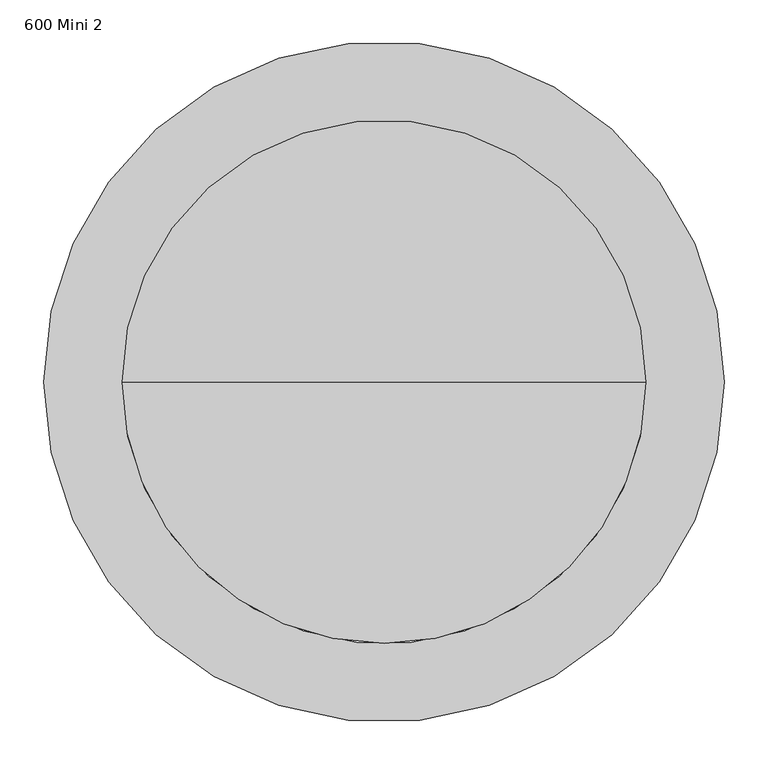
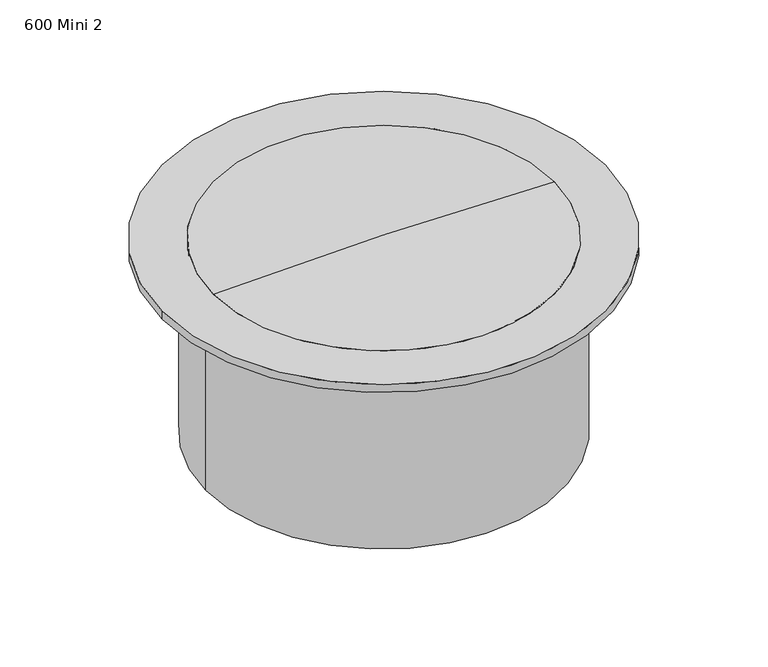
"""IFC4 building model written with IfcOpenShell, lengths in millimetres: proxy geometry, 600 Mini 2."""

from ifc_helpers import new_model, si_unit, point, frame, origin, origin_2d, place, context, project, spatial, polyline, circle_curve, ellipse_curve, trimmed, segment, composite_curve, outline, extrude, source, transform, mapped, element, save
from ifc_brep_helpers import plane_surface, cylinder_surface, revolved_surface, advanced_brep


def proxy_600_mini_2_8c9d897d(model_context):
    return source(origin(), model_context, "Body", "SolidModel", [
        advanced_brep(
        [(0.0, 0.0, -14.9500624), (-300.0, 0.0, -14.9500624), (300.0, 0.0, -14.9500624), (300.0, 0.0, 0.0), (-300.0, 0.0, 0.0), (0.0, 0.0, 6.1740495)],
        [
            (0, 1),
            (1, 2, circle_curve(frame((0.0, 0.0, -14.9500624), z_axis=(0.0, 0.0, -1.0), x_axis=(-1.0, 0.0, 0.0)), 300.0)),
            (2, 0),
            (2, 1, circle_curve(frame((0.0, 0.0, -14.9500624), z_axis=(0.0, 0.0, -1.0), x_axis=(-1.0, 0.0, 0.0)), 300.0)),
            (3, 4, circle_curve(frame((0.0, 0.0, 0.0), z_axis=(0.0, 0.0, 1.0), x_axis=(-1.0, 0.0, 0.0)), 300.0)),
            (4, 5, circle_curve(frame((0.0, 0.0, -7285.4842816), z_axis=(0.0, 1.0, 0.0), x_axis=(1.0, 0.0, 0.0)), 7291.6583311)),
            (5, 3, circle_curve(frame((0.0, 0.0, -7285.4842816), z_axis=(0.0, 1.0, 0.0), x_axis=(-1.0, 0.0, 0.0)), 7291.6583311)),
            (4, 3, circle_curve(frame((0.0, 0.0, 0.0), z_axis=(0.0, 0.0, 1.0), x_axis=(-1.0, 0.0, 0.0)), 300.0)),
            (1, 4),
            (3, 2),
        ],
        [
            plane_surface(frame((0.0, 0.0, -14.9500624), z_axis=(0.0, 0.0, -1.0), x_axis=(-1.0, 0.0, 0.0))),
            revolved_surface(trimmed(ellipse_curve(frame((0.0, 0.0, -7285.4842816), z_axis=(0.0, -1.0, 0.0), x_axis=(1.0, 0.0, 0.0)), 7291.6583311, 7291.6583311), [point((0.0, 0.0, 6.1740495))], [point((-300.0, 0.0, 0.0))], True, "CARTESIAN"), (0.0, 0.0, -119.9500624), (0.0, 0.0, -1.0)),
            cylinder_surface(frame((0.0, 0.0, -119.9500624), z_axis=(0.0, 0.0, -1.0), x_axis=(-1.0, 0.0, 0.0)), 300.0),
        ],
        [
            (0, [[1, 2, 3]]),
            (0, [[-3, 4, -1]]),
            (1, [[5, 6, 7]]),
            (1, [[8, -7, -6]]),
            (2, [[-2, 9, -5, 10]]),
            (2, [[-4, -10, -8, -9]]),
        ],
    ),
        extrude(outline(composite_curve([segment(trimmed(circle_curve(origin_2d(), 313.0), [point((-313.0, 0.0))], [point((313.0, 0.0))], False, "CARTESIAN"), True, "CONTINUOUS"), segment(trimmed(circle_curve(origin_2d(), 313.0), [point((313.0, 0.0))], [point((-313.0, 0.0))], False, "CARTESIAN"), True, "CONTINUOUS")], self_intersect=False), holes=[composite_curve([segment(trimmed(circle_curve(origin_2d(), 300.0), [point((-300.0, 0.0))], [point((300.0, 0.0))], True, "CARTESIAN"), True, "CONTINUOUS"), segment(trimmed(circle_curve(origin_2d(), 300.0), [point((300.0, 0.0))], [point((-300.0, 0.0))], True, "CARTESIAN"), True, "CONTINUOUS")], self_intersect=False)]), frame((0.0, 0.0, -360.0), z_axis=(0.0, 0.0, 1.0), x_axis=(1.0, 0.0, 0.0)), (0.0, 0.0, 1.0), 345.0499376),
        extrude(outline(composite_curve([segment(trimmed(circle_curve(origin_2d(), 390.0), [point((-390.0, 0.0))], [point((390.0, 0.0))], False, "CARTESIAN"), True, "CONTINUOUS"), segment(trimmed(circle_curve(origin_2d(), 390.0), [point((390.0, 0.0))], [point((-390.0, 0.0))], False, "CARTESIAN"), True, "CONTINUOUS")], self_intersect=False), holes=[composite_curve([segment(trimmed(circle_curve(origin_2d(), 300.0), [point((-300.0, 0.0))], [point((300.0, 0.0))], True, "CARTESIAN"), True, "CONTINUOUS"), segment(trimmed(circle_curve(origin_2d(), 300.0), [point((300.0, 0.0))], [point((-300.0, 0.0))], True, "CARTESIAN"), True, "CONTINUOUS")], self_intersect=False)]), frame((0.0, 0.0, -14.9500624), z_axis=(0.0, 0.0, 1.0), x_axis=(1.0, 0.0, 0.0)), (0.0, 0.0, 1.0), 14.9500624),
        extrude(outline(polyline([(-42.0990731, 0.0), (0.0, 0.0), (-42.0990731, -57.1373839), (-42.0990731, 0.0)])), frame((298.912638, -92.9797552, -57.0491355), z_axis=(0.2817325568414226, 0.9594929736144995, 0.0), x_axis=(0.0, 0.0, -1.0)), (0.0, 0.0, 1.0), 10.0),
        extrude(outline(polyline([(-42.0990731, 0.0), (0.0, 0.0), (-42.0990731, -57.137384), (-42.0990731, 0.0)])), frame((260.6091517, -173.4268435, -57.0491355), z_axis=(0.5406408174555909, 0.8412535328311855, 0.0), x_axis=(0.0, 0.0, -1.0)), (0.0, 0.0, 1.0), 10.0),
        extrude(outline(polyline([(-42.0990731, 0.0), (0.0, 0.0), (-42.0990731, -57.137384), (-42.0990731, 0.0)])), frame((201.1926619, -239.8239204, -57.0491355), z_axis=(0.7557495743542529, 0.6548607339452913, 0.0), x_axis=(0.0, 0.0, -1.0)), (0.0, 0.0, 1.0), 10.0),
        extrude(outline(polyline([(-42.0990731, 0.0), (0.0, 0.0), (-42.0990731, -57.137384), (-42.0990731, 0.0)])), frame((125.4767391, -286.7918896, -57.0491355), z_axis=(0.9096319953545148, 0.4154150130018944, 0.0), x_axis=(0.0, 0.0, -1.0)), (0.0, 0.0, 1.0), 10.0),
        extrude(outline(polyline([(-42.0990731, 0.0), (0.0, 0.0), (-42.0990731, -57.137384), (-42.0990731, 0.0)])), frame((39.5954372, -310.5256855, -57.0491355), z_axis=(0.9898214418809315, 0.1423148382732941, 0.0), x_axis=(0.0, 0.0, -1.0)), (0.0, 0.0, 1.0), 10.0),
        extrude(outline(polyline([(42.0990731, 0.0), (42.0990731, -57.137384), (0.0, 0.0), (42.0990731, 0.0)])), frame((-39.5954372, -310.5256855, -57.0491355), z_axis=(-0.9898214418809342, 0.14231483827327515, 0.0), x_axis=(0.0, 0.0, 1.0)), (0.0, 0.0, 1.0), 10.0),
        extrude(outline(polyline([(42.0990731, 0.0), (42.0990731, -57.137384), (0.0, 0.0), (42.0990731, 0.0)])), frame((-125.4767391, -286.7918896, -57.0491355), z_axis=(-0.9096319953545227, 0.41541501300187716, 0.0), x_axis=(0.0, 0.0, 1.0)), (0.0, 0.0, 1.0), 10.0),
        extrude(outline(polyline([(42.0990731, 0.0), (42.0990731, -57.137384), (0.0, 0.0), (42.0990731, 0.0)])), frame((-201.1926619, -239.8239204, -57.0491355), z_axis=(-0.7557495743542657, 0.6548607339452766, 0.0), x_axis=(0.0, 0.0, 1.0)), (0.0, 0.0, 1.0), 10.0),
        extrude(outline(polyline([(42.0990731, 0.0), (42.0990731, -57.137384), (0.0, 0.0), (42.0990731, 0.0)])), frame((-260.6091517, -173.4268435, -57.0491355), z_axis=(-0.5406408174556072, 0.8412535328311751, 0.0), x_axis=(0.0, 0.0, 1.0)), (0.0, 0.0, 1.0), 10.0),
        extrude(outline(polyline([(42.0990731, 0.0), (42.0990731, -57.1373839), (0.0, 0.0), (42.0990731, 0.0)])), frame((-298.912638, -92.9797552, -57.0491355), z_axis=(-0.28173255684144066, 0.9594929736144941, 0.0), x_axis=(0.0, 0.0, 1.0)), (0.0, 0.0, 1.0), 10.0),
        extrude(outline(polyline([(0.0, 0.0), (0.0, -42.0990731), (-57.137384, 0.0), (0.0, 0.0)])), frame((301.7299635, 83.3848254, -14.9500624), z_axis=(-0.2817325568414226, 0.9594929736144995, 0.0), x_axis=(-0.9594929736144995, -0.2817325568414226, 0.0)), (0.0, 0.0, 1.0), 10.0),
        extrude(outline(polyline([(0.0, 0.0), (0.0, -42.0990731), (-57.137384, 0.0), (0.0, 0.0)])), frame((266.0155599, 165.0143082, -14.9500624), z_axis=(-0.5406408174555909, 0.8412535328311855, 0.0), x_axis=(-0.8412535328311855, -0.5406408174555909, 0.0)), (0.0, 0.0, 1.0), 10.0),
        extrude(outline(polyline([(0.0, 0.0), (0.0, -42.0990731), (-57.137384, 0.0), (0.0, 0.0)])), frame((208.7501576, 233.2753131, -14.9500624), z_axis=(-0.7557495743542529, 0.6548607339452914, 0.0), x_axis=(-0.6548607339452914, -0.7557495743542529, 0.0)), (0.0, 0.0, 1.0), 10.0),
        extrude(outline(polyline([(0.0, 0.0), (0.0, -42.0990731), (-57.137384, 0.0), (0.0, 0.0)])), frame((134.573059, 282.6377395, -14.9500624), z_axis=(-0.9096319953545149, 0.4154150130018944, 0.0), x_axis=(-0.4154150130018944, -0.9096319953545149, 0.0)), (0.0, 0.0, 1.0), 10.0),
        extrude(outline(polyline([(0.0, 0.0), (0.0, -42.0990731), (-57.137384, 0.0), (0.0, 0.0)])), frame((49.4936516, 309.1025371, -14.9500624), z_axis=(-0.9898214418809315, 0.1423148382732941, 0.0), x_axis=(-0.1423148382732941, -0.9898214418809315, 0.0)), (0.0, 0.0, 1.0), 10.0),
        extrude(outline(polyline([(0.0, 0.0), (57.137384, 0.0), (0.0, -42.0990731), (0.0, 0.0)])), frame((-49.4936516, 309.1025371, -14.9500624), z_axis=(0.9898214418809342, 0.14231483827327515, 0.0), x_axis=(-0.14231483827327515, 0.9898214418809342, 0.0)), (0.0, 0.0, 1.0), 10.0),
        extrude(outline(polyline([(0.0, 0.0), (57.137384, 0.0), (0.0, -42.0990731), (0.0, 0.0)])), frame((-134.573059, 282.6377395, -14.9500624), z_axis=(0.9096319953545227, 0.4154150130018771, 0.0), x_axis=(-0.4154150130018771, 0.9096319953545227, 0.0)), (0.0, 0.0, 1.0), 10.0),
        extrude(outline(polyline([(0.0, 0.0), (57.137384, 0.0), (0.0, -42.0990731), (0.0, 0.0)])), frame((-208.7501576, 233.2753131, -14.9500624), z_axis=(0.7557495743542657, 0.6548607339452766, 0.0), x_axis=(-0.6548607339452766, 0.7557495743542657, 0.0)), (0.0, 0.0, 1.0), 10.0),
        extrude(outline(polyline([(0.0, 0.0), (57.137384, 0.0), (0.0, -42.0990731), (0.0, 0.0)])), frame((-266.0155599, 165.0143082, -14.9500624), z_axis=(0.5406408174556071, 0.841253532831175, 0.0), x_axis=(-0.841253532831175, 0.5406408174556071, 0.0)), (0.0, 0.0, 1.0), 10.0),
        extrude(outline(polyline([(0.0, 0.0), (57.137384, 0.0), (0.0, -42.0990731), (0.0, 0.0)])), frame((-301.7299635, 83.3848254, -14.9500624), z_axis=(0.2817325568414407, 0.9594929736144943, 0.0), x_axis=(-0.9594929736144943, 0.2817325568414407, 0.0)), (0.0, 0.0, 1.0), 10.0),
        extrude(outline(polyline([(-14.9500624, 313.0), (-57.0491355, 313.0), (-14.9500624, 370.137384), (-14.9500624, 313.0)])), frame((0.0, -5.0, 0.0), z_axis=(0.0, 1.0, 0.0), x_axis=(0.0, 0.0, 1.0)), (0.0, 0.0, 1.0), 10.0),
        extrude(outline(polyline([(-14.9500624, -313.0), (-14.9500624, -370.137384), (-57.0491355, -313.0), (-14.9500624, -313.0)])), frame((0.0, -5.0, 0.0), z_axis=(0.0, 1.0, 0.0), x_axis=(0.0, 0.0, 1.0)), (0.0, 0.0, 1.0), 10.0),
    ])


if __name__ == "__main__":
    model = new_model("IFC4")
    model_context = context("Model", 3, world=origin())
    ifc_project = project(units=[si_unit("LENGTHUNIT", "METRE", prefix="MILLI")], contexts=[model_context])
    site = spatial("IfcSite", under=ifc_project)
    building = spatial("IfcBuilding", under=site)
    placement = place(None, origin())
    proxy_600_mini_2_shape = proxy_600_mini_2_8c9d897d(model_context)
    element("IfcBuildingElementProxy", 1, Name="600 Mini 2", ObjectType="600 Mini 2", at=placement, inside=building, context=model_context, shape_type="MappedRepresentation", body=[
        mapped(proxy_600_mini_2_shape, transform((0.0, 0.0, 0.0), x_axis=(1.0, 0.0, 0.0), y_axis=(0.0, 1.0, 0.0), z_axis=(0.0, 0.0, 1.0))),
    ])
    save(model, "model.ifc")
